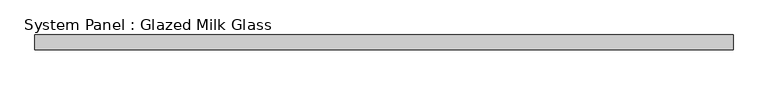
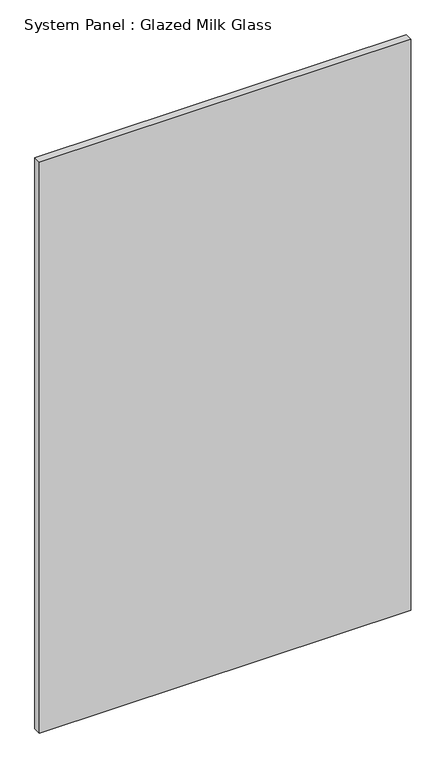
"""IFC4 building model written with IfcOpenShell, lengths in millimetres: plate geometry, System Panel : Glazed Milk Glass."""

from ifc_helpers import new_model, si_unit, origin, origin_with_axes, place, context, project, spatial, polyline, outline, extrude, source, transform, mapped, element, save


def system_panel_glazed_milk_glass_9a376e90(model_context):
    return source(origin(), model_context, "Body", "SweptSolid", [
        extrude(outline(polyline([(592.4999998, -12.5), (-592.4999998, -12.5), (-592.4999998, 12.5), (592.4999998, 12.5), (592.4999998, -12.5)])), origin_with_axes(), (0.0, 0.0, 1.0), 1925.0),
    ])


if __name__ == "__main__":
    model = new_model("IFC4")
    model_context = context("Model", 3, world=origin())
    ifc_project = project(units=[si_unit("LENGTHUNIT", "METRE", prefix="MILLI")], contexts=[model_context])
    site = spatial("IfcSite", under=ifc_project)
    building = spatial("IfcBuilding", under=site)
    placement = place(None, origin())
    system_panel_glazed_milk_glass_shape = system_panel_glazed_milk_glass_9a376e90(model_context)
    element("IfcPlate", 1, ObjectType="System Panel : Glazed Milk Glass", at=placement, inside=building, context=model_context, shape_type="MappedRepresentation", body=[
        mapped(system_panel_glazed_milk_glass_shape, transform((0.0, 0.0, 0.0), x_axis=(1.0, 0.0, 0.0), y_axis=(0.0, 1.0, 0.0), z_axis=(0.0, 0.0, 1.0))),
    ])
    save(model, "model.ifc")
